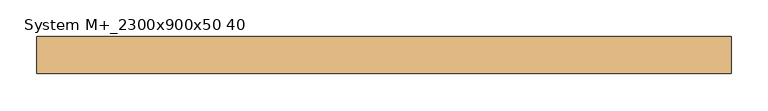
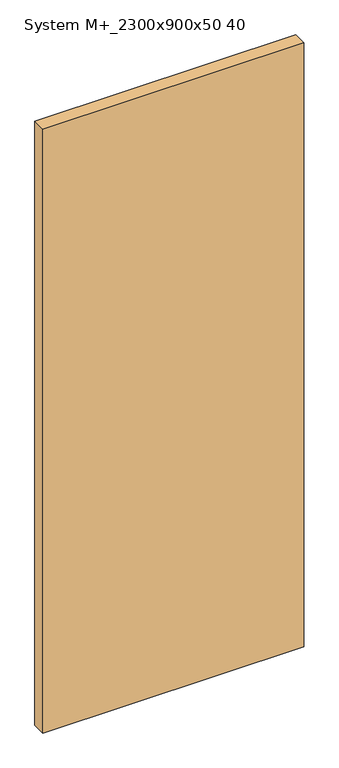
"""IFC4 building model written with IfcOpenShell, lengths in millimetres: door geometry, System M+_2300x900x50 40."""

from ifc_helpers import new_model, si_unit, frame, origin, place, context, project, spatial, polyline, outline, extrude, source, transform, mapped, element, save


def system_m_2300x900x50_40_de1f10e6(model_context):
    return source(origin(), model_context, "Body", "SweptSolid", [
        extrude(outline(polyline([(900.0, -25.0), (-40.0, -25.0), (-40.0, 25.0), (900.0, 25.0), (900.0, -25.0)])), frame((0.0, 0.0, 11.0), z_axis=(0.0, 0.0, 1.0), x_axis=(1.0, 0.0, 0.0)), (0.0, 0.0, 1.0), 2300.0),
    ])


if __name__ == "__main__":
    model = new_model("IFC4")
    model_context = context("Model", 3, world=origin())
    ifc_project = project(units=[si_unit("LENGTHUNIT", "METRE", prefix="MILLI")], contexts=[model_context])
    site = spatial("IfcSite", under=ifc_project)
    building = spatial("IfcBuilding", under=site)
    placement = place(None, origin())
    system_m_2300x900x50_40_shape = system_m_2300x900x50_40_de1f10e6(model_context)
    element("IfcDoor", 1, ObjectType="System M+_2300x900x50 40", at=placement, inside=building, context=model_context, shape_type="MappedRepresentation", body=[
        mapped(system_m_2300x900x50_40_shape, transform((0.0, 0.0, 0.0), x_axis=(1.0, 0.0, 0.0), y_axis=(0.0, 1.0, 0.0), z_axis=(0.0, 0.0, 1.0))),
    ])
    save(model, "model.ifc")
